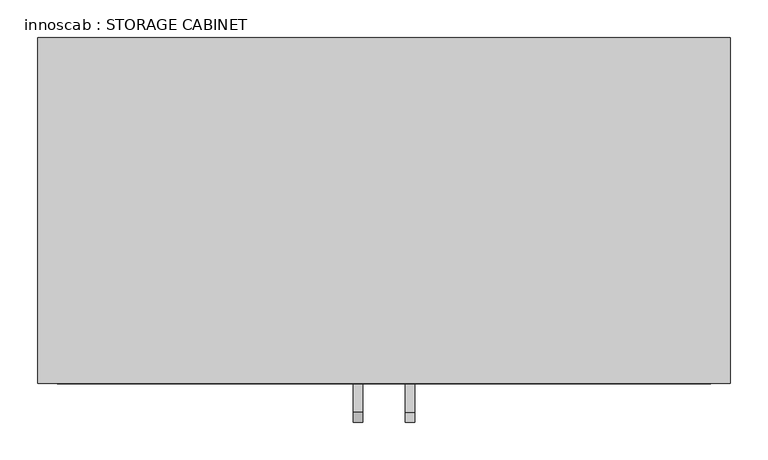
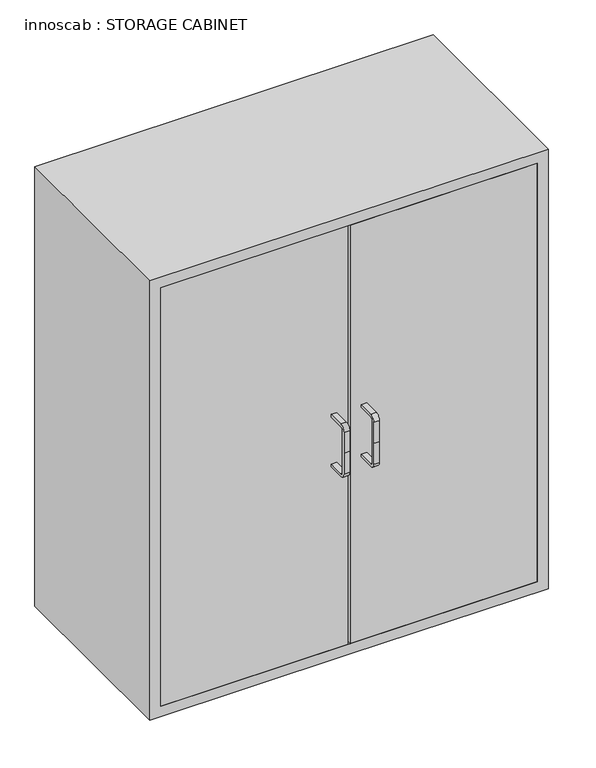
"""IFC4 building model written with IfcOpenShell, lengths in millimetres: proxy geometry, innoscab : STORAGE CABINET."""

from ifc_helpers import new_model, si_unit, point, frame, frame_2d, origin, place, context, project, spatial, polyline, circle_curve, trimmed, segment, composite_curve, outline, extrude, faceted_brep, source, transform, mapped, element, save


def innoscab_storage_cabinet_8ecbd8eb(model_context):
    return source(origin(), model_context, "Body", "SolidModel", [
        extrude(outline(composite_curve([segment(trimmed(circle_curve(frame_2d((-495.3, 584.2)), 12.7), [point((-508.0, 584.2))], [point((-495.3, 596.9))], False, "CARTESIAN"), True, "CONTINUOUS"), segment(polyline([(-495.3, 596.9), (-457.2, 596.9), (-457.2, 590.55), (-495.3, 590.55)]), True, "CONTINUOUS"), segment(trimmed(circle_curve(frame_2d((-495.3, 584.2)), 6.35), [point((-495.3, 590.55))], [point((-501.65, 584.2))], True, "CARTESIAN"), True, "CONTINUOUS"), segment(polyline([(-501.65, 584.2), (-501.65, 533.4), (-501.65, 482.6)]), True, "CONTINUOUS"), segment(trimmed(circle_curve(frame_2d((-495.3, 482.6)), 6.35), [point((-501.65, 482.6))], [point((-495.3, 476.25))], True, "CARTESIAN"), True, "CONTINUOUS"), segment(polyline([(-495.3, 476.25), (-457.2, 476.25), (-457.2, 469.9), (-495.3, 469.9)]), True, "CONTINUOUS"), segment(trimmed(circle_curve(frame_2d((-495.3, 482.6)), 12.7), [point((-495.3, 469.9))], [point((-508.0, 482.6))], False, "CARTESIAN"), True, "CONTINUOUS"), segment(polyline([(-508.0, 482.6), (-508.0, 533.4), (-508.0, 584.2)]), True, "CONTINUOUS")], self_intersect=False)), frame((-40.64, 0.0, 0.0), z_axis=(1.0, 0.0, 0.0), x_axis=(0.0, 1.0, 0.0)), (0.0, 0.0, 1.0), 12.7),
        extrude(outline(composite_curve([segment(trimmed(circle_curve(frame_2d((-495.3, 584.2)), 12.7), [point((-508.0, 584.2))], [point((-495.3, 596.9))], False, "CARTESIAN"), True, "CONTINUOUS"), segment(polyline([(-495.3, 596.9), (-457.2, 596.9), (-457.2, 590.55), (-495.3, 590.55)]), True, "CONTINUOUS"), segment(trimmed(circle_curve(frame_2d((-495.3, 584.2)), 6.35), [point((-495.3, 590.55))], [point((-501.65, 584.2))], True, "CARTESIAN"), True, "CONTINUOUS"), segment(polyline([(-501.65, 584.2), (-501.65, 533.4), (-501.65, 482.6)]), True, "CONTINUOUS"), segment(trimmed(circle_curve(frame_2d((-495.3, 482.6)), 6.35), [point((-501.65, 482.6))], [point((-495.3, 476.25))], True, "CARTESIAN"), True, "CONTINUOUS"), segment(polyline([(-495.3, 476.25), (-457.2, 476.25), (-457.2, 469.9), (-495.3, 469.9)]), True, "CONTINUOUS"), segment(trimmed(circle_curve(frame_2d((-495.3, 482.6)), 12.7), [point((-495.3, 469.9))], [point((-508.0, 482.6))], False, "CARTESIAN"), True, "CONTINUOUS"), segment(polyline([(-508.0, 482.6), (-508.0, 533.4), (-508.0, 584.2)]), True, "CONTINUOUS")], self_intersect=False)), frame((27.94, 0.0, 0.0), z_axis=(1.0, 0.0, 0.0), x_axis=(0.0, 1.0, 0.0)), (0.0, 0.0, 1.0), 12.7),
        faceted_brep([(457.2, -457.2, 0.0), (457.2, -457.2, 1066.8), (-457.2, -457.2, 1066.8), (-457.2, -457.2, 0.0), (0.0, -457.2, 0.0), (-431.8, -457.2, 1041.4), (431.8, -457.2, 1041.4), (431.8, -457.2, 25.4), (-431.8, -457.2, 25.4), (457.2, 0.0, 0.0), (0.0, 0.0, 0.0), (-457.2, 0.0, 0.0), (-457.2, 0.0, 1066.8), (457.2, 0.0, 1066.8), (431.8, -28.747457, 1041.4), (-431.8, -28.747457, 1041.4), (-431.8, -28.747457, 25.4), (431.8, -28.747457, 25.4)], [[[0, 1, 2, 3, 4], [5, 6, 7, 8]], [[9, 10, 11, 12, 13]], [[1, 0, 9, 13]], [[2, 1, 13, 12]], [[3, 2, 12, 11]], [[4, 3, 11, 10]], [[0, 4, 10, 9]], [[14, 15, 16, 17]], [[15, 14, 6, 5]], [[16, 15, 5, 8]], [[17, 16, 8, 7]], [[14, 17, 7, 6]]]),
        extrude(outline(polyline([(-2.54, -457.2), (-431.8, -457.2), (-431.8, -423.0341584), (-2.54, -423.0341584), (-2.54, -457.2)])), frame((0.0, 0.0, 25.4), z_axis=(0.0, 0.0, 1.0), x_axis=(1.0, 0.0, 0.0)), (0.0, 0.0, 1.0), 1016.0),
        extrude(outline(polyline([(431.8, -457.2), (2.54, -457.2), (2.54, -423.0341584), (431.8, -423.0341584), (431.8, -457.2)])), frame((0.0, 0.0, 25.4), z_axis=(0.0, 0.0, 1.0), x_axis=(1.0, 0.0, 0.0)), (0.0, 0.0, 1.0), 1016.0),
    ])


if __name__ == "__main__":
    model = new_model("IFC4")
    model_context = context("Model", 3, world=origin())
    ifc_project = project(units=[si_unit("LENGTHUNIT", "METRE", prefix="MILLI")], contexts=[model_context])
    site = spatial("IfcSite", under=ifc_project)
    building = spatial("IfcBuilding", under=site)
    placement = place(None, origin())
    innoscab_storage_cabinet_shape = innoscab_storage_cabinet_8ecbd8eb(model_context)
    element("IfcBuildingElementProxy", 1, Name="innoscab : STORAGE CABINET", ObjectType="innoscab : STORAGE CABINET", at=placement, inside=building, context=model_context, shape_type="MappedRepresentation", body=[
        mapped(innoscab_storage_cabinet_shape, transform((0.0, 0.0, 0.0), x_axis=(1.0, 0.0, 0.0), y_axis=(0.0, 1.0, 0.0), z_axis=(0.0, 0.0, 1.0))),
    ])
    save(model, "model.ifc")
